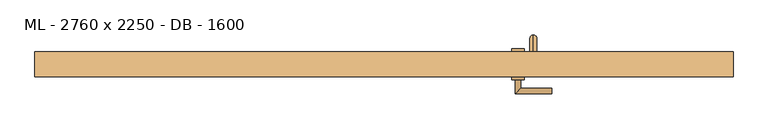
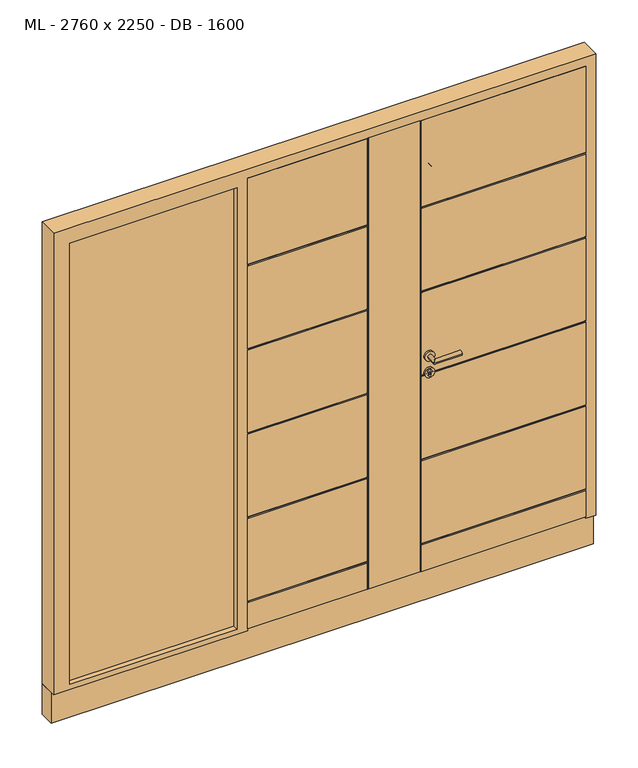
"""IFC4 building model written with IfcOpenShell, lengths in millimetres: door geometry, ML - 2760 x 2250 - DB - 1600."""

from ifc_helpers import new_model, si_unit, point, frame, frame_2d, origin, place, context, project, spatial, polyline, circle_curve, ellipse_curve, trimmed, segment, composite_curve, outline, extrude, faceted_brep, source, transform, mapped, element, save
from ifc_brep_helpers import plane_surface, cylinder_surface, revolved_surface, advanced_brep


def ml_2760_x_2250_db_1600_8447dac7(model_context):
    return source(origin(), model_context, "Body", "SolidModel", [
        advanced_brep(
        [(310.0, 275.0, 1875.0), (310.0, 275.0, 1900.0), (310.0, 275.0, 225.0), (310.0, 275.0, 200.0), (310.0, 310.0, 225.0), (310.0, 335.0, 200.0), (310.0, 335.0, 1900.0), (310.0, 310.0, 1875.0)],
        [
            (0, 1, circle_curve(frame((310.0, 275.0, 1887.5), z_axis=(0.0, -1.0, 0.0), x_axis=(0.0, 0.0, 1.0)), 12.5)),
            (1, 0, circle_curve(frame((310.0, 275.0, 1887.5), z_axis=(0.0, -1.0, 0.0), x_axis=(0.0, 0.0, 1.0)), 12.5)),
            (2, 3, circle_curve(frame((310.0, 275.0, 212.5), z_axis=(0.0, -1.0, 0.0), x_axis=(0.0, 0.0, -1.0)), 12.5)),
            (3, 2, circle_curve(frame((310.0, 275.0, 212.5), z_axis=(0.0, -1.0, 0.0), x_axis=(0.0, 0.0, -1.0)), 12.5)),
            (4, 5, ellipse_curve(frame((310.0, 322.5, 212.5), z_axis=(0.0, -0.7071067811865475, -0.7071067811865475), x_axis=(0.0, 0.7071067811865476, -0.7071067811865474)), 17.6776695, 12.5)),
            (5, 3),
            (2, 4),
            (5, 4, ellipse_curve(frame((310.0, 322.5, 212.5), z_axis=(0.0, -0.7071067811865475, -0.7071067811865475), x_axis=(0.0, 0.7071067811865476, -0.7071067811865474)), 17.6776695, 12.5)),
            (6, 7, ellipse_curve(frame((310.0, 322.5, 1887.5), z_axis=(0.0, 0.7071067811865475, -0.7071067811865475), x_axis=(0.0, 0.7071067811865474, 0.7071067811865476)), 17.6776695, 12.5)),
            (7, 4),
            (5, 6),
            (7, 6, ellipse_curve(frame((310.0, 322.5, 1887.5), z_axis=(0.0, 0.7071067811865475, -0.7071067811865475), x_axis=(0.0, 0.7071067811865474, 0.7071067811865476)), 17.6776695, 12.5)),
            (0, 7),
            (6, 1),
        ],
        [
            plane_surface(frame((310.0, 275.0, 1900.0), z_axis=(0.0, -1.0, 0.0), x_axis=(1.0, 0.0, 0.0))),
            plane_surface(frame((310.0, 275.0, 200.0), z_axis=(0.0, -1.0, 0.0), x_axis=(1.0, 0.0, 0.0))),
            cylinder_surface(frame((310.0, 335.0, 212.5), z_axis=(0.0, 1.0, 0.0), x_axis=(0.0, 0.0, -1.0)), 12.5),
            cylinder_surface(frame((310.0, 322.5, 1900.0), z_axis=(0.0, 0.0, 1.0), x_axis=(0.0, 1.0, 0.0)), 12.5),
            cylinder_surface(frame((310.0, 275.0, 1887.5), z_axis=(0.0, -1.0, 0.0), x_axis=(0.0, 0.0, 1.0)), 12.5),
        ],
        [
            (0, [[1, 2]]),
            (1, [[3, 4]]),
            (2, [[5, 6, -3, 7]]),
            (2, [[8, -7, -4, -6]]),
            (3, [[9, 10, -8, 11]]),
            (3, [[12, -11, -5, -10]]),
            (4, [[-1, 13, -9, 14]]),
            (4, [[-2, -14, -12, -13]]),
        ],
    ),
        advanced_brep(
        [(232.5, 275.0, 970.0), (277.5, 275.0, 970.0), (232.5, 285.0, 970.0), (277.5, 285.0, 970.0), (250.0, 285.0, 958.5), (260.0, 285.0, 958.5), (260.0, 285.0, 971.1261365), (250.0, 285.0, 971.1261365), (250.0, 277.0, 971.1261365), (250.0, 277.0, 958.5), (260.0, 277.0, 971.1261365), (260.0, 277.0, 958.5)],
        [
            (0, 1, circle_curve(frame((255.0, 275.0, 970.0), z_axis=(0.0, -1.0, 0.0), x_axis=(1.0, 0.0, 0.0)), 22.5)),
            (1, 0, circle_curve(frame((255.0, 275.0, 970.0), z_axis=(0.0, -1.0, 0.0), x_axis=(1.0, 0.0, 0.0)), 22.5)),
            (2, 3, circle_curve(frame((255.0, 285.0, 970.0), z_axis=(0.0, 1.0, 0.0), x_axis=(1.0, 0.0, 0.0)), 22.5)),
            (3, 2, circle_curve(frame((255.0, 285.0, 970.0), z_axis=(0.0, 1.0, 0.0), x_axis=(1.0, 0.0, 0.0)), 22.5)),
            (4, 5, circle_curve(frame((255.0, 285.0, 958.5), z_axis=(0.0, -1.0, 0.0), x_axis=(1.0, 0.0, 0.0)), 5.0)),
            (5, 6),
            (6, 7, circle_curve(frame((255.0, 285.0, 978.0), z_axis=(0.0, -1.0, 0.0), x_axis=(1.0, 0.0, 0.0)), 8.5)),
            (7, 4),
            (0, 2),
            (3, 1),
            (7, 8),
            (8, 9),
            (9, 4),
            (6, 10),
            (10, 8, circle_curve(frame((255.0, 277.0, 978.0), z_axis=(0.0, -1.0, 0.0), x_axis=(1.0, 0.0, 0.0)), 8.5)),
            (5, 11),
            (11, 10),
            (9, 11, circle_curve(frame((255.0, 277.0, 958.5), z_axis=(0.0, -1.0, 0.0), x_axis=(1.0, 0.0, 0.0)), 5.0)),
        ],
        [
            plane_surface(frame((277.5, 275.0, 970.0), z_axis=(0.0, -1.0, 0.0), x_axis=(0.0, 0.0, 1.0))),
            plane_surface(frame((277.5, 285.0, 970.0), z_axis=(0.0, 1.0, 0.0), x_axis=(0.0, 0.0, -1.0))),
            cylinder_surface(frame((255.0, 285.0, 970.0), z_axis=(0.0, -1.0, 0.0), x_axis=(1.0, 0.0, 0.0)), 22.5),
            plane_surface(frame((250.0, 275.0, 958.5), z_axis=(1.0, 0.0, 0.0), x_axis=(0.0, 1.0, 0.0))),
            revolved_surface(polyline([(263.5, 285.0, 978.0), (263.5, 277.0, 978.0)]), (255.0, 275.0, 978.0), (0.0, 1.0, 0.0)),
            plane_surface(frame((260.0, 275.0, 971.1261365), z_axis=(-1.0, 0.0, 0.0), x_axis=(0.0, 1.0, 0.0))),
            revolved_surface(polyline([(260.0, 285.0, 958.5), (260.0, 277.0, 958.5)]), (255.0, 275.0, 958.5), (0.0, 1.0, 0.0)),
            plane_surface(frame((263.5, 277.0, 978.0), z_axis=(0.0, 1.0, 0.0), x_axis=(0.0, 0.0, -1.0))),
        ],
        [
            (0, [[1, 2]]),
            (1, [[3, 4], [5, 6, 7, 8]]),
            (2, [[-1, 9, -4, 10]]),
            (2, [[-2, -10, -3, -9]]),
            (3, [[-8, 11, 12, 13]]),
            (4, [[-7, 14, 15, -11]]),
            (5, [[-6, 16, 17, -14]]),
            (6, [[-5, -13, 18, -16]]),
            (7, [[-12, -15, -17, -18]]),
        ],
    ),
        advanced_brep(
        [(232.5, 185.0, 970.0), (277.5, 185.0, 970.0), (232.5, 175.0, 970.0), (277.5, 175.0, 970.0), (250.0, 175.0, 958.5), (250.0, 175.0, 971.1261365), (260.0, 175.0, 971.1261365), (260.0, 175.0, 958.5), (250.0, 183.0, 958.5), (250.0, 183.0, 971.1261365), (260.0, 183.0, 971.1261365), (260.0, 183.0, 958.5)],
        [
            (0, 1, circle_curve(frame((255.0, 185.0, 970.0), z_axis=(0.0, 1.0, 0.0), x_axis=(1.0, 0.0, 0.0)), 22.5)),
            (1, 0, circle_curve(frame((255.0, 185.0, 970.0), z_axis=(0.0, 1.0, 0.0), x_axis=(1.0, 0.0, 0.0)), 22.5)),
            (2, 3, circle_curve(frame((255.0, 175.0, 970.0), z_axis=(0.0, -1.0, 0.0), x_axis=(1.0, 0.0, 0.0)), 22.5)),
            (3, 2, circle_curve(frame((255.0, 175.0, 970.0), z_axis=(0.0, -1.0, 0.0), x_axis=(1.0, 0.0, 0.0)), 22.5)),
            (4, 5),
            (5, 6, circle_curve(frame((255.0, 175.0, 978.0), z_axis=(0.0, 1.0, 0.0), x_axis=(1.0, 0.0, 0.0)), 8.5)),
            (6, 7),
            (7, 4, circle_curve(frame((255.0, 175.0, 958.5), z_axis=(0.0, 1.0, 0.0), x_axis=(1.0, 0.0, 0.0)), 5.0)),
            (1, 3),
            (2, 0),
            (4, 8),
            (8, 9),
            (9, 5),
            (9, 10, circle_curve(frame((255.0, 183.0, 978.0), z_axis=(0.0, 1.0, 0.0), x_axis=(1.0, 0.0, 0.0)), 8.5)),
            (10, 6),
            (10, 11),
            (11, 7),
            (11, 8, circle_curve(frame((255.0, 183.0, 958.5), z_axis=(0.0, 1.0, 0.0), x_axis=(1.0, 0.0, 0.0)), 5.0)),
        ],
        [
            plane_surface(frame((277.5, 185.0, 970.0), z_axis=(0.0, 1.0, 0.0), x_axis=(0.0, 0.0, 1.0))),
            plane_surface(frame((277.5, 175.0, 970.0), z_axis=(0.0, -1.0, 0.0), x_axis=(0.0, 0.0, -1.0))),
            cylinder_surface(frame((255.0, 175.0, 970.0), z_axis=(0.0, 1.0, 0.0), x_axis=(1.0, 0.0, 0.0)), 22.5),
            plane_surface(frame((250.0, 185.0, 958.5), z_axis=(1.0, 0.0, 0.0), x_axis=(0.0, -1.0, 0.0))),
            revolved_surface(polyline([(263.5, 175.0, 978.0), (263.5, 183.0, 978.0)]), (255.0, 185.0, 978.0), (0.0, -1.0, 0.0)),
            plane_surface(frame((260.0, 185.0, 971.1261365), z_axis=(-1.0, 0.0, 0.0), x_axis=(0.0, -1.0, 0.0))),
            revolved_surface(polyline([(260.0, 175.0, 958.5), (260.0, 183.0, 958.5)]), (255.0, 185.0, 958.5), (0.0, -1.0, 0.0)),
            plane_surface(frame((250.0, 183.0, 958.5), z_axis=(0.0, -1.0, 0.0), x_axis=(0.0, 0.0, 1.0))),
        ],
        [
            (0, [[1, 2]]),
            (1, [[3, 4], [5, 6, 7, 8]]),
            (2, [[9, -3, 10, -2]]),
            (2, [[-10, -4, -9, -1]]),
            (3, [[11, 12, 13, -5]]),
            (4, [[-13, 14, 15, -6]]),
            (5, [[-15, 16, 17, -7]]),
            (6, [[-17, 18, -11, -8]]),
            (7, [[-18, -16, -14, -12]]),
        ],
    ),
        advanced_brep(
        [(265.0, 175.0, 1050.0), (245.0, 175.0, 1050.0), (245.0, 125.0, 1050.0), (265.0, 145.0, 1050.0), (375.0, 145.0, 1050.0), (375.0, 125.0, 1050.0)],
        [
            (0, 1, circle_curve(frame((255.0, 175.0, 1050.0), z_axis=(0.0, 1.0, 0.0), x_axis=(-1.0, 0.0, 0.0)), 10.0)),
            (1, 0, circle_curve(frame((255.0, 175.0, 1050.0), z_axis=(0.0, 1.0, 0.0), x_axis=(-1.0, 0.0, 0.0)), 10.0)),
            (1, 2),
            (2, 3, ellipse_curve(frame((255.0, 135.0, 1050.0), z_axis=(-0.7071067811865486, 0.7071067811865464, 0.0), x_axis=(0.7071067811865464, 0.7071067811865488, 0.0)), 14.1421356, 10.0)),
            (3, 0),
            (3, 2, ellipse_curve(frame((255.0, 135.0, 1050.0), z_axis=(-0.7071067811865486, 0.7071067811865464, 0.0), x_axis=(0.7071067811865464, 0.7071067811865488, 0.0)), 14.1421356, 10.0)),
            (4, 5, circle_curve(frame((375.0, 135.0, 1050.0), z_axis=(1.0, 0.0, 0.0), x_axis=(0.0, -1.0, 0.0)), 10.0)),
            (5, 4, circle_curve(frame((375.0, 135.0, 1050.0), z_axis=(1.0, 0.0, 0.0), x_axis=(0.0, -1.0, 0.0)), 10.0)),
            (2, 5),
            (4, 3),
        ],
        [
            plane_surface(frame((255.0, 175.0, 1050.0), z_axis=(0.0, 1.0, 0.0), x_axis=(0.0, 0.0, 1.0))),
            cylinder_surface(frame((255.0, 175.0, 1050.0), z_axis=(0.0, 1.0, 0.0), x_axis=(-1.0, 0.0, 0.0)), 10.0),
            plane_surface(frame((375.0, 135.0, 1050.0), z_axis=(1.0, 0.0, 0.0), x_axis=(0.0, 0.0, 1.0))),
            cylinder_surface(frame((255.0, 135.0, 1050.0), z_axis=(-1.0, 0.0, 0.0), x_axis=(0.0, -1.0, 0.0)), 10.0),
        ],
        [
            (0, [[1, 2]]),
            (1, [[3, 4, 5, -2]]),
            (1, [[-5, 6, -3, -1]]),
            (2, [[7, 8]]),
            (3, [[9, -7, 10, -4]]),
            (3, [[-10, -8, -9, -6]]),
        ],
    ),
        advanced_brep(
        [(265.0, 175.0, 1050.0), (245.0, 175.0, 1050.0), (245.0, 125.0, 1050.0), (265.0, 145.0, 1050.0), (375.0, 145.0, 1050.0), (375.0, 125.0, 1050.0)],
        [
            (0, 1, circle_curve(frame((255.0, 175.0, 1050.0), z_axis=(0.0, 1.0, 0.0), x_axis=(-1.0, 0.0, 0.0)), 10.0)),
            (1, 0, circle_curve(frame((255.0, 175.0, 1050.0), z_axis=(0.0, 1.0, 0.0), x_axis=(-1.0, 0.0, 0.0)), 10.0)),
            (1, 2),
            (2, 3, ellipse_curve(frame((255.0, 135.0, 1050.0), z_axis=(-0.7071067811865491, 0.7071067811865459, 0.0), x_axis=(0.7071067811865458, 0.7071067811865492, 0.0)), 14.1421356, 10.0)),
            (3, 0),
            (3, 2, ellipse_curve(frame((255.0, 135.0, 1050.0), z_axis=(-0.7071067811865491, 0.7071067811865459, 0.0), x_axis=(0.7071067811865458, 0.7071067811865492, 0.0)), 14.1421356, 10.0)),
            (4, 5, circle_curve(frame((375.0, 135.0, 1050.0), z_axis=(1.0, 0.0, 0.0), x_axis=(0.0, -1.0, 0.0)), 10.0)),
            (5, 4, circle_curve(frame((375.0, 135.0, 1050.0), z_axis=(1.0, 0.0, 0.0), x_axis=(0.0, -1.0, 0.0)), 10.0)),
            (2, 5),
            (4, 3),
        ],
        [
            plane_surface(frame((255.0, 175.0, 1050.0), z_axis=(0.0, 1.0, 0.0), x_axis=(0.0, 0.0, 1.0))),
            cylinder_surface(frame((255.0, 175.0, 1050.0), z_axis=(0.0, 1.0, 0.0), x_axis=(-1.0, 0.0, 0.0)), 10.0),
            plane_surface(frame((375.0, 135.0, 1050.0), z_axis=(1.0, 0.0, 0.0), x_axis=(0.0, 0.0, 1.0))),
            cylinder_surface(frame((255.0, 135.0, 1050.0), z_axis=(-1.0, 0.0, 0.0), x_axis=(0.0, -1.0, 0.0)), 10.0),
        ],
        [
            (0, [[1, 2]]),
            (1, [[3, 4, 5, -2]]),
            (1, [[-5, 6, -3, -1]]),
            (2, [[7, 8]]),
            (3, [[9, -7, 10, -4]]),
            (3, [[-10, -8, -9, -6]]),
        ],
    ),
        extrude(outline(composite_curve([segment(trimmed(circle_curve(frame_2d((1050.0, 255.0)), 22.5), [point((1050.0, 232.5))], [point((1050.0, 277.5))], False, "CARTESIAN"), True, "CONTINUOUS"), segment(trimmed(circle_curve(frame_2d((1050.0, 255.0)), 22.5), [point((1050.0, 277.5))], [point((1050.0, 232.5))], False, "CARTESIAN"), True, "CONTINUOUS")], self_intersect=False)), frame((0.0, 175.0, 0.0), z_axis=(0.0, 1.0, 0.0), x_axis=(0.0, 0.0, 1.0)), (0.0, 0.0, 1.0), 10.0),
        advanced_brep(
        [(950.0, 275.0, 546.0), (950.0, 275.0, 144.0), (189.0, 275.0, 144.0), (189.0, 275.0, 546.0), (189.0, 275.0, 554.0), (189.0, 275.0, 956.0), (950.0, 275.0, 956.0), (950.0, 275.0, 554.0), (189.0, 275.0, 964.0), (189.0, 275.0, 1366.0), (950.0, 275.0, 1366.0), (950.0, 275.0, 964.0), (950.0, 275.0, 2175.0), (950.0, 275.0, 1784.0), (189.0, 275.0, 1784.0), (189.0, 275.0, 2175.0), (189.0, 275.0, 1374.0), (189.0, 275.0, 1776.0), (950.0, 275.0, 1776.0), (950.0, 275.0, 1374.0), (950.0, 255.0, 2175.0), (950.0, 255.0, 140.0), (950.0, 271.0, 140.0), (950.0, 271.0, 550.0), (950.0, 271.0, 960.0), (950.0, 271.0, 1370.0), (950.0, 271.0, 1780.0), (189.0, 271.0, 960.0), (189.0, 271.0, 550.0), (189.0, 271.0, 140.0), (204.0, 255.0, 140.0), (189.0, 255.0, 140.0), (204.0, 255.0, 2175.0), (204.0, 255.0, 2190.0), (965.0, 255.0, 2190.0), (965.0, 255.0, 20.0), (204.0, 255.0, 20.0), (204.0, 205.0, 20.0), (204.0, 205.0, 2190.0), (219.0, 205.0, 20.0), (965.0, 205.0, 20.0), (965.0, 205.0, 2190.0), (219.0, 205.0, 2190.0), (219.0, 205.0, 2205.0), (980.0, 205.0, 2205.0), (980.0, 205.0, 8.0), (219.0, 205.0, 8.0), (219.0, 185.0, 8.0), (219.0, 185.0, 136.0), (219.0, 189.0, 140.0), (219.0, 185.0, 144.0), (219.0, 185.0, 546.0), (219.0, 189.0, 550.0), (219.0, 185.0, 554.0), (219.0, 185.0, 956.0), (219.0, 189.0, 960.0), (219.0, 185.0, 964.0), (219.0, 185.0, 1366.0), (219.0, 189.0, 1370.0), (219.0, 185.0, 1374.0), (219.0, 185.0, 1776.0), (219.0, 189.0, 1780.0), (219.0, 185.0, 1784.0), (219.0, 185.0, 2205.0), (980.0, 185.0, 8.0), (980.0, 185.0, 2205.0), (980.0, 185.0, 1784.0), (980.0, 189.0, 1780.0), (980.0, 185.0, 1776.0), (980.0, 185.0, 1374.0), (980.0, 189.0, 1370.0), (980.0, 185.0, 1366.0), (980.0, 185.0, 964.0), (980.0, 189.0, 960.0), (980.0, 185.0, 956.0), (980.0, 185.0, 554.0), (980.0, 189.0, 550.0), (980.0, 185.0, 546.0), (980.0, 185.0, 144.0), (980.0, 189.0, 140.0), (980.0, 185.0, 136.0), (189.0, 271.0, 1780.0), (189.0, 271.0, 1370.0), (189.0, 255.0, 2175.0)],
        [
            (0, 1),
            (1, 2),
            (2, 3),
            (3, 0),
            (4, 5),
            (5, 6),
            (6, 7),
            (7, 4),
            (8, 9),
            (9, 10),
            (10, 11),
            (11, 8),
            (12, 13),
            (13, 14),
            (14, 15),
            (15, 12),
            (16, 17),
            (17, 18),
            (18, 19),
            (19, 16),
            (20, 21),
            (21, 22),
            (22, 1, circle_curve(frame((950.0, 271.0, 144.0), z_axis=(1.0, 0.0, 0.0), x_axis=(0.0, 1.0, 0.0)), 4.0)),
            (0, 23, circle_curve(frame((950.0, 271.0, 546.0), z_axis=(1.0, 0.0, 0.0), x_axis=(0.0, 1.0, 0.0)), 4.0)),
            (23, 7, circle_curve(frame((950.0, 271.0, 554.0), z_axis=(1.0, 0.0, 0.0), x_axis=(0.0, 1.0, 0.0)), 4.0)),
            (6, 24, circle_curve(frame((950.0, 271.0, 956.0), z_axis=(1.0, 0.0, 0.0), x_axis=(0.0, 1.0, 0.0)), 4.0)),
            (24, 11, circle_curve(frame((950.0, 271.0, 964.0), z_axis=(1.0, 0.0, 0.0), x_axis=(0.0, 1.0, 0.0)), 4.0)),
            (10, 25, circle_curve(frame((950.0, 271.0, 1366.0), z_axis=(1.0, 0.0, 0.0), x_axis=(0.0, 1.0, 0.0)), 4.0)),
            (25, 19, circle_curve(frame((950.0, 271.0, 1374.0), z_axis=(1.0, 0.0, 0.0), x_axis=(0.0, 1.0, 0.0)), 4.0)),
            (18, 26, circle_curve(frame((950.0, 271.0, 1776.0), z_axis=(1.0, 0.0, 0.0), x_axis=(0.0, 1.0, 0.0)), 4.0)),
            (26, 13, circle_curve(frame((950.0, 271.0, 1784.0), z_axis=(1.0, 0.0, 0.0), x_axis=(0.0, 1.0, 0.0)), 4.0)),
            (12, 20),
            (27, 8, circle_curve(frame((189.0, 271.0, 964.0), z_axis=(1.0, 0.0, 0.0), x_axis=(0.0, 1.0, 0.0)), 4.0)),
            (24, 27),
            (5, 27, circle_curve(frame((189.0, 271.0, 956.0), z_axis=(1.0, 0.0, 0.0), x_axis=(0.0, 1.0, 0.0)), 4.0)),
            (28, 4, circle_curve(frame((189.0, 271.0, 554.0), z_axis=(1.0, 0.0, 0.0), x_axis=(0.0, 1.0, 0.0)), 4.0)),
            (23, 28),
            (3, 28, circle_curve(frame((189.0, 271.0, 546.0), z_axis=(1.0, 0.0, 0.0), x_axis=(0.0, 1.0, 0.0)), 4.0)),
            (22, 29),
            (29, 2, circle_curve(frame((189.0, 271.0, 144.0), z_axis=(1.0, 0.0, 0.0), x_axis=(0.0, 1.0, 0.0)), 4.0)),
            (30, 31),
            (31, 29),
            (21, 30),
            (32, 33),
            (33, 34),
            (34, 35),
            (35, 36),
            (36, 30),
            (20, 32),
            (32, 30),
            (36, 37),
            (37, 38),
            (38, 33),
            (39, 37),
            (35, 40),
            (40, 39),
            (41, 40),
            (34, 41),
            (42, 43),
            (43, 44),
            (44, 45),
            (45, 46),
            (46, 39),
            (41, 42),
            (42, 39),
            (46, 47),
            (47, 48),
            (48, 49, circle_curve(frame((219.0, 189.0, 136.0), z_axis=(-1.0, 0.0, 0.0), x_axis=(0.0, -1.0, 0.0)), 4.0)),
            (49, 50, circle_curve(frame((219.0, 189.0, 144.0), z_axis=(-1.0, 0.0, 0.0), x_axis=(0.0, -1.0, 0.0)), 4.0)),
            (50, 51),
            (51, 52, circle_curve(frame((219.0, 189.0, 546.0), z_axis=(-1.0, 0.0, 0.0), x_axis=(0.0, -1.0, 0.0)), 4.0)),
            (52, 53, circle_curve(frame((219.0, 189.0, 554.0), z_axis=(-1.0, 0.0, 0.0), x_axis=(0.0, -1.0, 0.0)), 4.0)),
            (53, 54),
            (54, 55, circle_curve(frame((219.0, 189.0, 956.0), z_axis=(-1.0, 0.0, 0.0), x_axis=(0.0, -1.0, 0.0)), 4.0)),
            (55, 56, circle_curve(frame((219.0, 189.0, 964.0), z_axis=(-1.0, 0.0, 0.0), x_axis=(0.0, -1.0, 0.0)), 4.0)),
            (56, 57),
            (57, 58, circle_curve(frame((219.0, 189.0, 1366.0), z_axis=(-1.0, 0.0, 0.0), x_axis=(0.0, -1.0, 0.0)), 4.0)),
            (58, 59, circle_curve(frame((219.0, 189.0, 1374.0), z_axis=(-1.0, 0.0, 0.0), x_axis=(0.0, -1.0, 0.0)), 4.0)),
            (59, 60),
            (60, 61, circle_curve(frame((219.0, 189.0, 1776.0), z_axis=(-1.0, 0.0, 0.0), x_axis=(0.0, -1.0, 0.0)), 4.0)),
            (61, 62, circle_curve(frame((219.0, 189.0, 1784.0), z_axis=(-1.0, 0.0, 0.0), x_axis=(0.0, -1.0, 0.0)), 4.0)),
            (62, 63),
            (63, 43),
            (64, 47),
            (45, 64),
            (65, 66),
            (66, 67, circle_curve(frame((980.0, 189.0, 1784.0), z_axis=(1.0, 0.0, 0.0), x_axis=(0.0, -1.0, 0.0)), 4.0)),
            (67, 68, circle_curve(frame((980.0, 189.0, 1776.0), z_axis=(1.0, 0.0, 0.0), x_axis=(0.0, -1.0, 0.0)), 4.0)),
            (68, 69),
            (69, 70, circle_curve(frame((980.0, 189.0, 1374.0), z_axis=(1.0, 0.0, 0.0), x_axis=(0.0, -1.0, 0.0)), 4.0)),
            (70, 71, circle_curve(frame((980.0, 189.0, 1366.0), z_axis=(1.0, 0.0, 0.0), x_axis=(0.0, -1.0, 0.0)), 4.0)),
            (71, 72),
            (72, 73, circle_curve(frame((980.0, 189.0, 964.0), z_axis=(1.0, 0.0, 0.0), x_axis=(0.0, -1.0, 0.0)), 4.0)),
            (73, 74, circle_curve(frame((980.0, 189.0, 956.0), z_axis=(1.0, 0.0, 0.0), x_axis=(0.0, -1.0, 0.0)), 4.0)),
            (74, 75),
            (75, 76, circle_curve(frame((980.0, 189.0, 554.0), z_axis=(1.0, 0.0, 0.0), x_axis=(0.0, -1.0, 0.0)), 4.0)),
            (76, 77, circle_curve(frame((980.0, 189.0, 546.0), z_axis=(1.0, 0.0, 0.0), x_axis=(0.0, -1.0, 0.0)), 4.0)),
            (77, 78),
            (78, 79, circle_curve(frame((980.0, 189.0, 144.0), z_axis=(1.0, 0.0, 0.0), x_axis=(0.0, -1.0, 0.0)), 4.0)),
            (79, 80, circle_curve(frame((980.0, 189.0, 136.0), z_axis=(1.0, 0.0, 0.0), x_axis=(0.0, -1.0, 0.0)), 4.0)),
            (80, 64),
            (44, 65),
            (14, 81, circle_curve(frame((189.0, 271.0, 1784.0), z_axis=(-1.0, 0.0, 0.0), x_axis=(0.0, 1.0, 0.0)), 4.0)),
            (81, 17, circle_curve(frame((189.0, 271.0, 1776.0), z_axis=(-1.0, 0.0, 0.0), x_axis=(0.0, 1.0, 0.0)), 4.0)),
            (16, 82, circle_curve(frame((189.0, 271.0, 1374.0), z_axis=(-1.0, 0.0, 0.0), x_axis=(0.0, 1.0, 0.0)), 4.0)),
            (82, 9, circle_curve(frame((189.0, 271.0, 1366.0), z_axis=(-1.0, 0.0, 0.0), x_axis=(0.0, 1.0, 0.0)), 4.0)),
            (31, 83),
            (83, 15),
            (32, 83),
            (50, 78),
            (77, 51),
            (62, 66),
            (65, 63),
            (80, 48),
            (74, 54),
            (53, 75),
            (71, 57),
            (56, 72),
            (68, 60),
            (59, 69),
            (79, 49),
            (76, 52),
            (73, 55),
            (42, 38),
            (70, 58),
            (82, 25),
            (67, 61),
            (81, 26),
        ],
        [
            plane_surface(frame((189.0, 275.0, 2205.0), z_axis=(0.0, 1.0, 0.0), x_axis=(0.0, 0.0, -1.0))),
            plane_surface(frame((950.0, 275.0, 0.0), z_axis=(1.0, 0.0, 0.0), x_axis=(0.0, 0.0, 1.0))),
            cylinder_surface(frame((1020.0, 271.0, 964.0), z_axis=(-1.0, 0.0, 0.0), x_axis=(0.0, 1.0, 0.0)), 4.0),
            cylinder_surface(frame((1020.0, 271.0, 956.0), z_axis=(-1.0, 0.0, 0.0), x_axis=(0.0, 1.0, 0.0)), 4.0),
            cylinder_surface(frame((1020.0, 271.0, 554.0), z_axis=(-1.0, 0.0, 0.0), x_axis=(0.0, 1.0, 0.0)), 4.0),
            cylinder_surface(frame((1020.0, 271.0, 546.0), z_axis=(-1.0, 0.0, 0.0), x_axis=(0.0, 1.0, 0.0)), 4.0),
            cylinder_surface(frame((1020.0, 271.0, 144.0), z_axis=(-1.0, 0.0, 0.0), x_axis=(0.0, 1.0, 0.0)), 4.0),
            plane_surface(frame((-580.0, 275.0, 140.0), z_axis=(0.0, 0.0, -1.0), x_axis=(1.0, 0.0, 0.0))),
            plane_surface(frame((950.0, 255.0, 0.0), z_axis=(0.0, 1.0, 0.0), x_axis=(0.0, 0.0, 1.0))),
            plane_surface(frame((204.0, 205.0, 2205.0), z_axis=(-1.0, 0.0, 0.0), x_axis=(0.0, 0.0, -1.0))),
            plane_surface(frame((-580.0, 275.0, 20.0), z_axis=(0.0, 0.0, -1.0), x_axis=(1.0, 0.0, 0.0))),
            plane_surface(frame((965.0, 255.0, 0.0), z_axis=(1.0, 0.0, 0.0), x_axis=(0.0, 0.0, 1.0))),
            plane_surface(frame((965.0, 205.0, 0.0), z_axis=(0.0, 1.0, 0.0), x_axis=(0.0, 0.0, 1.0))),
            plane_surface(frame((219.0, 185.0, 2205.0), z_axis=(-1.0, 0.0, 0.0), x_axis=(0.0, 0.0, -1.0))),
            plane_surface(frame((-580.0, 205.0, 8.0), z_axis=(0.0, 0.0, -1.0), x_axis=(1.0, 0.0, 0.0))),
            plane_surface(frame((980.0, 275.0, 2205.0), z_axis=(1.0, 0.0, 0.0), x_axis=(0.0, 0.0, -1.0))),
            plane_surface(frame((189.0, 255.0, 2205.0), z_axis=(-1.0, 0.0, 0.0), x_axis=(0.0, 0.0, -1.0))),
            plane_surface(frame((204.0, 255.0, 2205.0), z_axis=(0.0, -1.0, 0.0), x_axis=(0.0, 0.0, -1.0))),
            plane_surface(frame((980.0, 185.0, 2205.0), z_axis=(0.0, -1.0, 0.0), x_axis=(0.0, 0.0, -1.0))),
            cylinder_surface(frame((215.0, 189.0, 136.0), z_axis=(1.0, 0.0, 0.0), x_axis=(0.0, -1.0, 0.0)), 4.0),
            cylinder_surface(frame((215.0, 189.0, 144.0), z_axis=(1.0, 0.0, 0.0), x_axis=(0.0, -1.0, 0.0)), 4.0),
            cylinder_surface(frame((215.0, 189.0, 546.0), z_axis=(1.0, 0.0, 0.0), x_axis=(0.0, -1.0, 0.0)), 4.0),
            cylinder_surface(frame((215.0, 189.0, 554.0), z_axis=(1.0, 0.0, 0.0), x_axis=(0.0, -1.0, 0.0)), 4.0),
            cylinder_surface(frame((215.0, 189.0, 956.0), z_axis=(1.0, 0.0, 0.0), x_axis=(0.0, -1.0, 0.0)), 4.0),
            cylinder_surface(frame((215.0, 189.0, 964.0), z_axis=(1.0, 0.0, 0.0), x_axis=(0.0, -1.0, 0.0)), 4.0),
            plane_surface(frame((219.0, 205.0, 2205.0), z_axis=(0.0, -1.0, 0.0), x_axis=(0.0, 0.0, -1.0))),
            plane_surface(frame((950.0, 275.0, 2175.0), z_axis=(0.0, 0.0, 1.0), x_axis=(-1.0, 0.0, 0.0))),
            plane_surface(frame((965.0, 255.0, 2190.0), z_axis=(0.0, 0.0, 1.0), x_axis=(-1.0, 0.0, 0.0))),
            plane_surface(frame((189.0, 275.0, 2205.0), z_axis=(0.0, 0.0, 1.0), x_axis=(0.0, 1.0, 0.0))),
            cylinder_surface(frame((215.0, 189.0, 1366.0), z_axis=(1.0, 0.0, 0.0), x_axis=(0.0, -1.0, 0.0)), 4.0),
            cylinder_surface(frame((215.0, 189.0, 1374.0), z_axis=(1.0, 0.0, 0.0), x_axis=(0.0, -1.0, 0.0)), 4.0),
            cylinder_surface(frame((1020.0, 271.0, 1366.0), z_axis=(-1.0, 0.0, 0.0), x_axis=(0.0, 1.0, 0.0)), 4.0),
            cylinder_surface(frame((1020.0, 271.0, 1374.0), z_axis=(-1.0, 0.0, 0.0), x_axis=(0.0, 1.0, 0.0)), 4.0),
            cylinder_surface(frame((215.0, 189.0, 1776.0), z_axis=(1.0, 0.0, 0.0), x_axis=(0.0, -1.0, 0.0)), 4.0),
            cylinder_surface(frame((215.0, 189.0, 1784.0), z_axis=(1.0, 0.0, 0.0), x_axis=(0.0, -1.0, 0.0)), 4.0),
            cylinder_surface(frame((1020.0, 271.0, 1776.0), z_axis=(-1.0, 0.0, 0.0), x_axis=(0.0, 1.0, 0.0)), 4.0),
            cylinder_surface(frame((1020.0, 271.0, 1784.0), z_axis=(-1.0, 0.0, 0.0), x_axis=(0.0, 1.0, 0.0)), 4.0),
        ],
        [
            (0, [[1, 2, 3, 4]]),
            (0, [[5, 6, 7, 8]]),
            (0, [[9, 10, 11, 12]]),
            (0, [[13, 14, 15, 16]]),
            (0, [[17, 18, 19, 20]]),
            (1, [[21, 22, 23, -1, 24, 25, -7, 26, 27, -11, 28, 29, -19, 30, 31, -13, 32]]),
            (2, [[33, -12, -27, 34]]),
            (3, [[-26, -6, 35, -34]]),
            (4, [[36, -8, -25, 37]]),
            (5, [[-24, -4, 38, -37]]),
            (6, [[-2, -23, 39, 40]]),
            (7, [[41, 42, -39, -22, 43]]),
            (8, [[44, 45, 46, 47, 48, -43, -21, 49]]),
            (9, [[50, -48, 51, 52, 53, -44]]),
            (10, [[54, -51, -47, 55, 56]]),
            (11, [[57, -55, -46, 58]]),
            (12, [[59, 60, 61, 62, 63, -56, -57, 64]]),
            (13, [[-59, 65, -63, 66, 67, 68, 69, 70, 71, 72, 73, 74, 75, 76, 77, 78, 79, 80, 81, 82, 83]]),
            (14, [[84, -66, -62, 85]]),
            (15, [[86, 87, 88, 89, 90, 91, 92, 93, 94, 95, 96, 97, 98, 99, 100, 101, -85, -61, 102]]),
            (16, [[-15, 103, 104, -17, 105, 106, -9, -33, -35, -5, -36, -38, -3, -40, -42, 107, 108]]),
            (17, [[-107, -41, -50, 109]]),
            (18, [[-70, 110, -98, 111]]),
            (18, [[-82, 112, -86, 113]]),
            (18, [[-101, 114, -67, -84]]),
            (18, [[-95, 115, -73, 116]]),
            (18, [[-92, 117, -76, 118]]),
            (18, [[-89, 119, -79, 120]]),
            (19, [[-68, -114, -100, 121]]),
            (20, [[-99, -110, -69, -121]]),
            (21, [[-71, -111, -97, 122]]),
            (22, [[-96, -116, -72, -122]]),
            (23, [[-74, -115, -94, 123]]),
            (24, [[-93, -118, -75, -123]]),
            (25, [[-52, -54, -65, 124]]),
            (26, [[-16, -108, -109, -49, -32]]),
            (27, [[-45, -53, -124, -64, -58]]),
            (28, [[-102, -60, -83, -113]]),
            (29, [[-77, -117, -91, 125]]),
            (30, [[-90, -120, -78, -125]]),
            (31, [[-28, -10, -106, 126]]),
            (32, [[-105, -20, -29, -126]]),
            (33, [[-80, -119, -88, 127]]),
            (34, [[-87, -112, -81, -127]]),
            (35, [[-30, -18, -104, 128]]),
            (36, [[-103, -14, -31, -128]]),
        ],
    ),
        advanced_brep(
        [(-580.0, 185.0, 8.0), (-29.0, 185.0, 8.0), (-29.0, 185.0, 136.0), (-580.0, 185.0, 136.0), (-21.0, 185.0, 2205.0), (-21.0, 185.0, 8.0), (215.0, 185.0, 8.0), (215.0, 185.0, 136.0), (215.0, 185.0, 144.0), (215.0, 185.0, 546.0), (215.0, 185.0, 554.0), (215.0, 185.0, 956.0), (215.0, 185.0, 964.0), (215.0, 185.0, 1366.0), (215.0, 185.0, 1374.0), (215.0, 185.0, 1776.0), (215.0, 185.0, 1784.0), (215.0, 185.0, 2205.0), (-580.0, 185.0, 144.0), (-29.0, 185.0, 144.0), (-29.0, 185.0, 546.0), (-580.0, 185.0, 546.0), (-29.0, 185.0, 554.0), (-29.0, 185.0, 956.0), (-580.0, 185.0, 956.0), (-580.0, 185.0, 554.0), (-29.0, 185.0, 964.0), (-29.0, 185.0, 1366.0), (-580.0, 185.0, 1366.0), (-580.0, 185.0, 964.0), (-29.0, 185.0, 1374.0), (-29.0, 185.0, 1776.0), (-580.0, 185.0, 1776.0), (-580.0, 185.0, 1374.0), (-580.0, 185.0, 2205.0), (-580.0, 185.0, 1784.0), (-29.0, 185.0, 1784.0), (-29.0, 185.0, 2205.0), (215.0, 205.0, 8.0), (215.0, 205.0, 2205.0), (-550.0, 275.0, 554.0), (-550.0, 275.0, 956.0), (-29.0, 275.0, 956.0), (-29.0, 275.0, 554.0), (-550.0, 275.0, 964.0), (-550.0, 275.0, 1366.0), (-29.0, 275.0, 1366.0), (-29.0, 275.0, 964.0), (-550.0, 275.0, 1374.0), (-550.0, 275.0, 1776.0), (-29.0, 275.0, 1776.0), (-29.0, 275.0, 1374.0), (-550.0, 275.0, 546.0), (-29.0, 275.0, 546.0), (-29.0, 275.0, 140.0), (-550.0, 275.0, 140.0), (-29.0, 275.0, 2175.0), (-29.0, 275.0, 1784.0), (-550.0, 275.0, 1784.0), (-550.0, 275.0, 2175.0), (185.0, 275.0, 2175.0), (185.0, 275.0, 1784.0), (185.0, 275.0, 1776.0), (185.0, 275.0, 1374.0), (185.0, 275.0, 1366.0), (185.0, 275.0, 964.0), (185.0, 275.0, 956.0), (185.0, 275.0, 554.0), (185.0, 275.0, 546.0), (185.0, 275.0, 144.0), (185.0, 275.0, 140.0), (-21.0, 275.0, 140.0), (-21.0, 275.0, 2175.0), (-550.0, 271.0, 1780.0), (-550.0, 271.0, 1370.0), (-550.0, 271.0, 960.0), (-550.0, 271.0, 550.0), (-550.0, 255.0, 140.0), (-550.0, 255.0, 2175.0), (-565.0, 255.0, 2190.0), (-565.0, 255.0, 20.0), (-565.0, 205.0, 20.0), (-565.0, 205.0, 2190.0), (-580.0, 205.0, 2205.0), (-580.0, 205.0, 8.0), (-580.0, 189.0, 140.0), (-580.0, 189.0, 550.0), (-580.0, 189.0, 960.0), (-580.0, 189.0, 1370.0), (-580.0, 189.0, 1780.0), (-25.0, 189.0, 2205.0), (185.0, 255.0, 2175.0), (-25.0, 271.0, 2175.0), (200.0, 205.0, 2190.0), (200.0, 255.0, 2190.0), (200.0, 255.0, 20.0), (200.0, 205.0, 20.0), (-25.0, 189.0, 8.0), (-25.0, 271.0, 140.0), (185.0, 271.0, 140.0), (185.0, 255.0, 140.0), (-25.0, 271.0, 550.0), (-25.0, 189.0, 550.0), (-25.0, 189.0, 140.0), (-25.0, 271.0, 960.0), (-25.0, 271.0, 1370.0), (-25.0, 271.0, 1780.0), (-25.0, 189.0, 1780.0), (-25.0, 189.0, 1370.0), (-25.0, 189.0, 960.0)],
        [
            (0, 1),
            (1, 2),
            (2, 3),
            (3, 0),
            (4, 5),
            (5, 6),
            (6, 7),
            (7, 8),
            (8, 9),
            (9, 10),
            (10, 11),
            (11, 12),
            (12, 13),
            (13, 14),
            (14, 15),
            (15, 16),
            (16, 17),
            (17, 4),
            (18, 19),
            (19, 20),
            (20, 21),
            (21, 18),
            (22, 23),
            (23, 24),
            (24, 25),
            (25, 22),
            (26, 27),
            (27, 28),
            (28, 29),
            (29, 26),
            (30, 31),
            (31, 32),
            (32, 33),
            (33, 30),
            (34, 35),
            (35, 36),
            (36, 37),
            (37, 34),
            (6, 38),
            (38, 39),
            (39, 17),
            (40, 41),
            (41, 42),
            (42, 43),
            (43, 40),
            (44, 45),
            (45, 46),
            (46, 47),
            (47, 44),
            (48, 49),
            (49, 50),
            (50, 51),
            (51, 48),
            (52, 53),
            (53, 54),
            (54, 55),
            (55, 52),
            (56, 57),
            (57, 58),
            (58, 59),
            (59, 56),
            (60, 61),
            (61, 62),
            (62, 63),
            (63, 64),
            (64, 65),
            (65, 66),
            (66, 67),
            (67, 68),
            (68, 69),
            (69, 70),
            (70, 71),
            (71, 72),
            (72, 60),
            (58, 73, circle_curve(frame((-550.0, 271.0, 1784.0), z_axis=(-1.0, 0.0, 0.0), x_axis=(0.0, 1.0, 0.0)), 4.0)),
            (73, 49, circle_curve(frame((-550.0, 271.0, 1776.0), z_axis=(-1.0, 0.0, 0.0), x_axis=(0.0, 1.0, 0.0)), 4.0)),
            (48, 74, circle_curve(frame((-550.0, 271.0, 1374.0), z_axis=(-1.0, 0.0, 0.0), x_axis=(0.0, 1.0, 0.0)), 4.0)),
            (74, 45, circle_curve(frame((-550.0, 271.0, 1366.0), z_axis=(-1.0, 0.0, 0.0), x_axis=(0.0, 1.0, 0.0)), 4.0)),
            (44, 75, circle_curve(frame((-550.0, 271.0, 964.0), z_axis=(-1.0, 0.0, 0.0), x_axis=(0.0, 1.0, 0.0)), 4.0)),
            (75, 41, circle_curve(frame((-550.0, 271.0, 956.0), z_axis=(-1.0, 0.0, 0.0), x_axis=(0.0, 1.0, 0.0)), 4.0)),
            (40, 76, circle_curve(frame((-550.0, 271.0, 554.0), z_axis=(-1.0, 0.0, 0.0), x_axis=(0.0, 1.0, 0.0)), 4.0)),
            (76, 52, circle_curve(frame((-550.0, 271.0, 546.0), z_axis=(-1.0, 0.0, 0.0), x_axis=(0.0, 1.0, 0.0)), 4.0)),
            (55, 77),
            (77, 78),
            (78, 59),
            (79, 80),
            (80, 81),
            (81, 82),
            (82, 79),
            (83, 84),
            (84, 0),
            (3, 85, circle_curve(frame((-580.0, 189.0, 136.0), z_axis=(-1.0, 0.0, 0.0), x_axis=(0.0, -1.0, 0.0)), 4.0)),
            (85, 18, circle_curve(frame((-580.0, 189.0, 144.0), z_axis=(-1.0, 0.0, 0.0), x_axis=(0.0, -1.0, 0.0)), 4.0)),
            (21, 86, circle_curve(frame((-580.0, 189.0, 546.0), z_axis=(-1.0, 0.0, 0.0), x_axis=(0.0, -1.0, 0.0)), 4.0)),
            (86, 25, circle_curve(frame((-580.0, 189.0, 554.0), z_axis=(-1.0, 0.0, 0.0), x_axis=(0.0, -1.0, 0.0)), 4.0)),
            (24, 87, circle_curve(frame((-580.0, 189.0, 956.0), z_axis=(-1.0, 0.0, 0.0), x_axis=(0.0, -1.0, 0.0)), 4.0)),
            (87, 29, circle_curve(frame((-580.0, 189.0, 964.0), z_axis=(-1.0, 0.0, 0.0), x_axis=(0.0, -1.0, 0.0)), 4.0)),
            (28, 88, circle_curve(frame((-580.0, 189.0, 1366.0), z_axis=(-1.0, 0.0, 0.0), x_axis=(0.0, -1.0, 0.0)), 4.0)),
            (88, 33, circle_curve(frame((-580.0, 189.0, 1374.0), z_axis=(-1.0, 0.0, 0.0), x_axis=(0.0, -1.0, 0.0)), 4.0)),
            (32, 89, circle_curve(frame((-580.0, 189.0, 1776.0), z_axis=(-1.0, 0.0, 0.0), x_axis=(0.0, -1.0, 0.0)), 4.0)),
            (89, 35, circle_curve(frame((-580.0, 189.0, 1784.0), z_axis=(-1.0, 0.0, 0.0), x_axis=(0.0, -1.0, 0.0)), 4.0)),
            (34, 83),
            (39, 83),
            (37, 90, circle_curve(frame((-29.0, 189.0, 2205.0), z_axis=(0.0, 0.0, 1.0), x_axis=(0.0, -1.0, 0.0)), 4.0)),
            (90, 4, circle_curve(frame((-21.0, 189.0, 2205.0), z_axis=(0.0, 0.0, 1.0), x_axis=(0.0, -1.0, 0.0)), 4.0)),
            (78, 91),
            (91, 60),
            (72, 92, circle_curve(frame((-21.0, 271.0, 2175.0), z_axis=(0.0, 0.0, 1.0), x_axis=(0.0, 1.0, 0.0)), 4.0)),
            (92, 56, circle_curve(frame((-29.0, 271.0, 2175.0), z_axis=(0.0, 0.0, 1.0), x_axis=(0.0, 1.0, 0.0)), 4.0)),
            (82, 93),
            (93, 94),
            (94, 79),
            (80, 95),
            (95, 96),
            (96, 81),
            (5, 97, circle_curve(frame((-21.0, 189.0, 8.0), z_axis=(0.0, 0.0, -1.0), x_axis=(0.0, -1.0, 0.0)), 4.0)),
            (97, 1, circle_curve(frame((-29.0, 189.0, 8.0), z_axis=(0.0, 0.0, -1.0), x_axis=(0.0, -1.0, 0.0)), 4.0)),
            (84, 38),
            (54, 98, circle_curve(frame((-29.0, 271.0, 140.0), z_axis=(0.0, 0.0, -1.0), x_axis=(0.0, 1.0, 0.0)), 4.0)),
            (98, 71, circle_curve(frame((-21.0, 271.0, 140.0), z_axis=(0.0, 0.0, -1.0), x_axis=(0.0, 1.0, 0.0)), 4.0)),
            (70, 99),
            (99, 100),
            (100, 77),
            (101, 53, ellipse_curve(frame((-29.0, 271.0, 546.0), z_axis=(-0.7071067811865475, 0.0, 0.7071067811865476), x_axis=(-0.7071067811865476, 0.0, -0.7071067811865475)), 5.6568542, 4.0)),
            (76, 101),
            (43, 101, ellipse_curve(frame((-29.0, 271.0, 554.0), z_axis=(-0.7071067811865475, 0.0, -0.7071067811865475), x_axis=(-0.7071067811865476, 0.0, 0.7071067811865474)), 5.6568542, 4.0)),
            (20, 102, ellipse_curve(frame((-29.0, 189.0, 546.0), z_axis=(-0.7071067811865475, 0.0, 0.7071067811865475), x_axis=(0.7071067811865476, 0.0, 0.7071067811865474)), 5.6568542, 4.0)),
            (102, 86),
            (102, 22, ellipse_curve(frame((-29.0, 189.0, 554.0), z_axis=(-0.7071067811865475, 0.0, -0.7071067811865476), x_axis=(0.7071067811865476, 0.0, -0.7071067811865475)), 5.6568542, 4.0)),
            (2, 103, ellipse_curve(frame((-29.0, 189.0, 136.0), z_axis=(-0.7071067811865475, 0.0, 0.7071067811865475), x_axis=(-0.7071067811865476, 0.0, -0.7071067811865474)), 5.6568542, 4.0)),
            (103, 85),
            (103, 19, ellipse_curve(frame((-29.0, 189.0, 144.0), z_axis=(-0.7071067811865475, 0.0, -0.7071067811865476), x_axis=(-0.7071067811865476, 0.0, 0.7071067811865475)), 5.6568542, 4.0)),
            (101, 104),
            (104, 105),
            (105, 106),
            (106, 92),
            (98, 101),
            (42, 104, ellipse_curve(frame((-29.0, 271.0, 956.0), z_axis=(0.7071067811865475, 0.0, -0.7071067811865476), x_axis=(0.7071067811865476, 0.0, 0.7071067811865474)), 5.6568542, 4.0)),
            (46, 105, ellipse_curve(frame((-29.0, 271.0, 1366.0), z_axis=(0.7071067811865475, 0.0, -0.7071067811865476), x_axis=(0.7071067811865476, 0.0, 0.7071067811865474)), 5.6568542, 4.0)),
            (104, 47, ellipse_curve(frame((-29.0, 271.0, 964.0), z_axis=(0.7071067811865475, 0.0, 0.7071067811865475), x_axis=(-0.7071067811865474, 0.0, 0.7071067811865477)), 5.6568542, 4.0)),
            (50, 106, ellipse_curve(frame((-29.0, 271.0, 1776.0), z_axis=(0.7071067811865475, 0.0, -0.7071067811865476), x_axis=(0.7071067811865476, 0.0, 0.7071067811865474)), 5.6568542, 4.0)),
            (105, 51, ellipse_curve(frame((-29.0, 271.0, 1374.0), z_axis=(0.7071067811865475, 0.0, 0.7071067811865475), x_axis=(-0.7071067811865474, 0.0, 0.7071067811865477)), 5.6568542, 4.0)),
            (106, 57, ellipse_curve(frame((-29.0, 271.0, 1784.0), z_axis=(0.7071067811865475, 0.0, 0.7071067811865475), x_axis=(-0.7071067811865474, 0.0, 0.7071067811865477)), 5.6568542, 4.0)),
            (75, 104),
            (103, 97),
            (90, 107),
            (107, 108),
            (108, 109),
            (109, 102),
            (102, 103),
            (36, 107, ellipse_curve(frame((-29.0, 189.0, 1784.0), z_axis=(0.7071067811865475, 0.0, 0.7071067811865476), x_axis=(0.7071067811865476, 0.0, -0.7071067811865474)), 5.6568542, 4.0)),
            (107, 31, ellipse_curve(frame((-29.0, 189.0, 1776.0), z_axis=(0.7071067811865475, 0.0, -0.7071067811865475), x_axis=(-0.7071067811865474, 0.0, -0.7071067811865477)), 5.6568542, 4.0)),
            (30, 108, ellipse_curve(frame((-29.0, 189.0, 1374.0), z_axis=(0.7071067811865475, 0.0, 0.7071067811865476), x_axis=(0.7071067811865476, 0.0, -0.7071067811865474)), 5.6568542, 4.0)),
            (108, 27, ellipse_curve(frame((-29.0, 189.0, 1366.0), z_axis=(0.7071067811865475, 0.0, -0.7071067811865475), x_axis=(-0.7071067811865474, 0.0, -0.7071067811865477)), 5.6568542, 4.0)),
            (26, 109, ellipse_curve(frame((-29.0, 189.0, 964.0), z_axis=(0.7071067811865475, 0.0, 0.7071067811865476), x_axis=(0.7071067811865476, 0.0, -0.7071067811865474)), 5.6568542, 4.0)),
            (109, 23, ellipse_curve(frame((-29.0, 189.0, 956.0), z_axis=(0.7071067811865475, 0.0, -0.7071067811865475), x_axis=(-0.7071067811865474, 0.0, -0.7071067811865477)), 5.6568542, 4.0)),
            (109, 87),
            (108, 88),
            (74, 105),
            (107, 89),
            (73, 106),
            (91, 100),
            (96, 93),
            (94, 95),
        ],
        [
            plane_surface(frame((215.0, 185.0, 2205.0), z_axis=(0.0, -1.0, 0.0), x_axis=(0.0, 0.0, -1.0))),
            plane_surface(frame((215.0, 205.0, 2205.0), z_axis=(1.0, 0.0, 0.0), x_axis=(0.0, 0.0, -1.0))),
            plane_surface(frame((-580.0, 275.0, 2205.0), z_axis=(0.0, 1.0, 0.0), x_axis=(0.0, 0.0, -1.0))),
            plane_surface(frame((-550.0, 275.0, 2175.0), z_axis=(-1.0, 0.0, 0.0), x_axis=(0.0, 0.0, -1.0))),
            plane_surface(frame((-565.0, 255.0, 2190.0), z_axis=(-1.0, 0.0, 0.0), x_axis=(0.0, 0.0, -1.0))),
            plane_surface(frame((-580.0, 185.0, 2205.0), z_axis=(-1.0, 0.0, 0.0), x_axis=(0.0, 0.0, -1.0))),
            plane_surface(frame((185.0, 275.0, 2205.0), z_axis=(0.0, 0.0, 1.0), x_axis=(1.0, 0.0, 0.0))),
            plane_surface(frame((950.0, 275.0, 2175.0), z_axis=(0.0, 0.0, 1.0), x_axis=(-1.0, 0.0, 0.0))),
            plane_surface(frame((965.0, 255.0, 2190.0), z_axis=(0.0, 0.0, 1.0), x_axis=(-1.0, 0.0, 0.0))),
            plane_surface(frame((-580.0, 275.0, 20.0), z_axis=(0.0, 0.0, -1.0), x_axis=(1.0, 0.0, 0.0))),
            plane_surface(frame((-580.0, 205.0, 8.0), z_axis=(0.0, 0.0, -1.0), x_axis=(1.0, 0.0, 0.0))),
            plane_surface(frame((-580.0, 275.0, 140.0), z_axis=(0.0, 0.0, -1.0), x_axis=(1.0, 0.0, 0.0))),
            cylinder_surface(frame((-25.0, 271.0, 546.0), z_axis=(-1.0, 0.0, 0.0), x_axis=(0.0, 1.0, 0.0)), 4.0),
            cylinder_surface(frame((-25.0, 271.0, 554.0), z_axis=(-1.0, 0.0, 0.0), x_axis=(0.0, 1.0, 0.0)), 4.0),
            cylinder_surface(frame((-620.0, 189.0, 546.0), z_axis=(1.0, 0.0, 0.0), x_axis=(0.0, -1.0, 0.0)), 4.0),
            cylinder_surface(frame((-620.0, 189.0, 554.0), z_axis=(1.0, 0.0, 0.0), x_axis=(0.0, -1.0, 0.0)), 4.0),
            cylinder_surface(frame((-25.0, 189.0, 136.0), z_axis=(-1.0, 0.0, 0.0), x_axis=(0.0, -1.0, 0.0)), 4.0),
            cylinder_surface(frame((-25.0, 189.0, 144.0), z_axis=(-1.0, 0.0, 0.0), x_axis=(0.0, -1.0, 0.0)), 4.0),
            cylinder_surface(frame((-21.0, 271.0, -10.0), z_axis=(0.0, 0.0, 1.0), x_axis=(0.0, 1.0, 0.0)), 4.0),
            cylinder_surface(frame((-29.0, 271.0, -10.0), z_axis=(0.0, 0.0, 1.0), x_axis=(0.0, 1.0, 0.0)), 4.0),
            cylinder_surface(frame((-25.0, 271.0, 956.0), z_axis=(-1.0, 0.0, 0.0), x_axis=(0.0, 1.0, 0.0)), 4.0),
            cylinder_surface(frame((-25.0, 271.0, 964.0), z_axis=(-1.0, 0.0, 0.0), x_axis=(0.0, 1.0, 0.0)), 4.0),
            cylinder_surface(frame((-21.0, 189.0, 2215.0), z_axis=(0.0, 0.0, -1.0), x_axis=(0.0, -1.0, 0.0)), 4.0),
            cylinder_surface(frame((-29.0, 189.0, 2215.0), z_axis=(0.0, 0.0, -1.0), x_axis=(0.0, -1.0, 0.0)), 4.0),
            cylinder_surface(frame((-620.0, 189.0, 956.0), z_axis=(1.0, 0.0, 0.0), x_axis=(0.0, -1.0, 0.0)), 4.0),
            cylinder_surface(frame((-620.0, 189.0, 964.0), z_axis=(1.0, 0.0, 0.0), x_axis=(0.0, -1.0, 0.0)), 4.0),
            cylinder_surface(frame((-620.0, 189.0, 1366.0), z_axis=(1.0, 0.0, 0.0), x_axis=(0.0, -1.0, 0.0)), 4.0),
            cylinder_surface(frame((-620.0, 189.0, 1374.0), z_axis=(1.0, 0.0, 0.0), x_axis=(0.0, -1.0, 0.0)), 4.0),
            cylinder_surface(frame((-25.0, 271.0, 1366.0), z_axis=(-1.0, 0.0, 0.0), x_axis=(0.0, 1.0, 0.0)), 4.0),
            cylinder_surface(frame((-25.0, 271.0, 1374.0), z_axis=(-1.0, 0.0, 0.0), x_axis=(0.0, 1.0, 0.0)), 4.0),
            cylinder_surface(frame((-620.0, 189.0, 1776.0), z_axis=(1.0, 0.0, 0.0), x_axis=(0.0, -1.0, 0.0)), 4.0),
            cylinder_surface(frame((-620.0, 189.0, 1784.0), z_axis=(1.0, 0.0, 0.0), x_axis=(0.0, -1.0, 0.0)), 4.0),
            cylinder_surface(frame((-25.0, 271.0, 1776.0), z_axis=(-1.0, 0.0, 0.0), x_axis=(0.0, 1.0, 0.0)), 4.0),
            cylinder_surface(frame((-25.0, 271.0, 1784.0), z_axis=(-1.0, 0.0, 0.0), x_axis=(0.0, 1.0, 0.0)), 4.0),
            plane_surface(frame((185.0, 275.0, 2205.0), z_axis=(1.0, 0.0, 0.0), x_axis=(0.0, 0.0, -1.0))),
            plane_surface(frame((200.0, 205.0, 2205.0), z_axis=(0.0, 1.0, 0.0), x_axis=(0.0, 0.0, -1.0))),
            plane_surface(frame((185.0, 255.0, 2205.0), z_axis=(0.0, 1.0, 0.0), x_axis=(0.0, 0.0, -1.0))),
            plane_surface(frame((200.0, 255.0, 2205.0), z_axis=(1.0, 0.0, 0.0), x_axis=(0.0, 0.0, -1.0))),
        ],
        [
            (0, [[1, 2, 3, 4]]),
            (0, [[5, 6, 7, 8, 9, 10, 11, 12, 13, 14, 15, 16, 17, 18]]),
            (0, [[19, 20, 21, 22]]),
            (0, [[23, 24, 25, 26]]),
            (0, [[27, 28, 29, 30]]),
            (0, [[31, 32, 33, 34]]),
            (0, [[35, 36, 37, 38]]),
            (1, [[-17, -16, -15, -14, -13, -12, -11, -10, -9, -8, -7, 39, 40, 41]]),
            (2, [[42, 43, 44, 45]]),
            (2, [[46, 47, 48, 49]]),
            (2, [[50, 51, 52, 53]]),
            (2, [[54, 55, 56, 57]]),
            (2, [[58, 59, 60, 61]]),
            (2, [[62, 63, 64, 65, 66, 67, 68, 69, 70, 71, 72, 73, 74]]),
            (3, [[-60, 75, 76, -50, 77, 78, -46, 79, 80, -42, 81, 82, -57, 83, 84, 85]]),
            (4, [[86, 87, 88, 89]]),
            (5, [[90, 91, -4, 92, 93, -22, 94, 95, -25, 96, 97, -29, 98, 99, -33, 100, 101, -35, 102]]),
            (6, [[103, -102, -38, 104, 105, -18, -41]]),
            (7, [[106, 107, -74, 108, 109, -61, -85]]),
            (8, [[110, 111, 112, -89]]),
            (9, [[-87, 113, 114, 115]]),
            (10, [[-6, 116, 117, -1, -91, 118, -39]]),
            (11, [[-83, -56, 119, 120, -72, 121, 122, 123]]),
            (12, [[124, -54, -82, 125]]),
            (13, [[-81, -45, 126, -125]]),
            (14, [[-94, -21, 127, 128]]),
            (15, [[129, -26, -95, -128]]),
            (16, [[-92, -3, 130, 131]]),
            (17, [[132, -19, -93, -131]]),
            (18, [[133, 134, 135, 136, -108, -73, -120, 137]]),
            (19, [[-44, 138, -133, -126]]),
            (19, [[-48, 139, -134, 140]]),
            (19, [[-52, 141, -135, 142]]),
            (19, [[-119, -55, -124, -137]]),
            (19, [[-136, 143, -58, -109]]),
            (20, [[-138, -43, -80, 144]]),
            (21, [[-79, -49, -140, -144]]),
            (22, [[145, -116, -5, -105, 146, 147, 148, 149, 150]]),
            (23, [[-37, 151, -146, -104]]),
            (23, [[-127, -20, -132, -150]]),
            (23, [[-130, -2, -117, -145]]),
            (23, [[-147, 152, -31, 153]]),
            (23, [[-148, 154, -27, 155]]),
            (23, [[-149, 156, -23, -129]]),
            (24, [[-96, -24, -156, 157]]),
            (25, [[-155, -30, -97, -157]]),
            (26, [[-98, -28, -154, 158]]),
            (27, [[-153, -34, -99, -158]]),
            (28, [[-139, -47, -78, 159]]),
            (29, [[-77, -53, -142, -159]]),
            (30, [[-100, -32, -152, 160]]),
            (31, [[-151, -36, -101, -160]]),
            (32, [[-141, -51, -76, 161]]),
            (33, [[-75, -59, -143, -161]]),
            (34, [[162, -122, -121, -71, -70, -69, -68, -67, -66, -65, -64, -63, -62, -107]]),
            (35, [[-40, -118, -90, -103], [-88, -115, 163, -110]]),
            (36, [[164, -113, -86, -112], [-84, -123, -162, -106]]),
            (37, [[-163, -114, -164, -111]]),
        ],
    ),
        extrude(outline(polyline([(255.0, 140.0), (271.0, 140.0), (271.0, 136.0), (275.0, 136.0), (275.0, 20.0), (270.9609036, 20.0), (270.9609036, 24.0), (266.9609036, 24.0), (266.9609036, 20.0), (255.0, 20.0), (255.0, 140.0)])), frame((189.0, 0.0, 0.0), z_axis=(1.0, 0.0, 0.0), x_axis=(0.0, 1.0, 0.0)), (0.0, 0.0, 1.0), 761.0),
        extrude(outline(polyline([(255.0, 140.0), (271.0, 140.0), (271.0, 136.0), (275.0, 136.0), (275.0, 20.0), (270.9609036, 20.0), (270.9609036, 24.0), (266.9609036, 24.0), (266.9609036, 20.0), (255.0, 20.0), (255.0, 140.0)])), frame((-550.0, 0.0, 0.0), z_axis=(1.0, 0.0, 0.0), x_axis=(0.0, 1.0, 0.0)), (0.0, 0.0, 1.0), 735.0),
        faceted_brep([(950.0, 255.0, 0.0), (950.0, 275.0, 0.0), (950.0, 275.0, 7.0), (950.0, 255.0, 9.0), (-550.0, 255.0, 0.0), (-565.0, 255.0, 0.0), (-565.0, 255.0, 9.0), (-550.0, 255.0, 9.0), (965.0, 255.0, 9.0), (965.0, 255.0, 0.0), (965.0, 225.0, 12.0), (965.0, 225.0, 15.0), (965.0, 205.0, 15.0), (965.0, 205.0, 0.0), (-550.0, 275.0, 7.0), (-550.0, 275.0, 0.0), (-565.0, 205.0, 0.0), (-565.0, 205.0, 15.0), (-565.0, 225.0, 15.0), (-565.0, 225.0, 12.0)], [[[0, 1, 2, 3]], [[4, 5, 6, 7]], [[3, 8, 9, 0]], [[8, 10, 11, 12, 13, 9]], [[7, 14, 15, 4]], [[5, 16, 17, 18, 19, 6]], [[17, 16, 13, 12]], [[16, 5, 4, 15, 1, 0, 9, 13]], [[15, 14, 2, 1]], [[12, 11, 18, 17]], [[14, 7, 6, 19, 10, 8, 3, 2]], [[11, 10, 19, 18]]]),
        faceted_brep([(-1475.0, 185.0, 2250.0), (-1475.0, 185.0, 0.0), (-580.0, 185.0, 0.0), (-580.0, 185.0, 2205.0), (980.0, 185.0, 2205.0), (980.0, 185.0, 0.0), (1025.0, 185.0, 0.0), (1025.0, 185.0, 2250.0), (-1400.0, 185.0, 25.0), (-1400.0, 185.0, 2175.0), (-630.0, 185.0, 2175.0), (-630.0, 185.0, 25.0), (-1475.0, 275.0, 2250.0), (-1475.0, 275.0, 0.0), (-550.0, 275.0, 0.0), (-550.0, 255.0, 0.0), (-565.0, 255.0, 0.0), (-565.0, 205.0, 0.0), (-580.0, 205.0, 0.0), (-580.0, 205.0, 2205.0), (980.0, 205.0, 2205.0), (980.0, 205.0, 0.0), (950.0, 275.0, 0.0), (1025.0, 275.0, 0.0), (965.0, 205.0, 0.0), (965.0, 255.0, 0.0), (950.0, 255.0, 0.0), (1025.0, 275.0, 2250.0), (-1400.0, 275.0, 25.0), (-1400.0, 275.0, 2175.0), (-630.0, 275.0, 2175.0), (-630.0, 275.0, 25.0), (950.0, 275.0, 2175.0), (-550.0, 275.0, 2175.0), (950.0, 255.0, 2175.0), (-550.0, 255.0, 2175.0), (-565.0, 205.0, 2190.0), (965.0, 205.0, 2190.0), (965.0, 255.0, 2190.0), (-565.0, 255.0, 2190.0)], [[[0, 1, 2, 3, 4, 5, 6, 7], [8, 9, 10, 11]], [[1, 0, 12, 13]], [[13, 14, 15, 16, 17, 18, 2, 1]], [[18, 19, 3, 2]], [[20, 21, 5, 4]], [[22, 23, 6, 5, 21, 24, 25, 26]], [[7, 6, 23, 27]], [[9, 8, 28, 29]], [[11, 10, 30, 31]], [[8, 11, 31, 28]], [[12, 27, 23, 22, 32, 33, 14, 13], [28, 31, 30, 29]], [[32, 22, 26, 34]], [[14, 33, 35, 15]], [[19, 18, 17, 36, 37, 24, 21, 20]], [[24, 37, 38, 25]], [[39, 16, 15, 35, 34, 26, 25, 38]], [[36, 17, 16, 39]], [[0, 7, 27, 12]], [[33, 32, 34, 35]], [[3, 19, 20, 4]], [[37, 36, 39, 38]], [[10, 9, 29, 30]]]),
        extrude(outline(polyline([(1025.0, 275.0), (1025.0, 205.0), (-1475.0, 205.0), (-1475.0, 275.0), (1025.0, 275.0)])), frame((0.0, 0.0, -150.0), z_axis=(0.0, 0.0, 1.0), x_axis=(1.0, 0.0, 0.0)), (0.0, 0.0, 1.0), 150.0),
        extrude(outline(polyline([(-630.0, 252.0), (-630.0, 208.0), (-1400.0, 208.0), (-1400.0, 252.0), (-630.0, 252.0)])), frame((0.0, 0.0, 25.0), z_axis=(0.0, 0.0, 1.0), x_axis=(1.0, 0.0, 0.0)), (0.0, 0.0, 1.0), 2150.0),
    ])


if __name__ == "__main__":
    model = new_model("IFC4")
    model_context = context("Model", 3, world=origin())
    ifc_project = project(units=[si_unit("LENGTHUNIT", "METRE", prefix="MILLI")], contexts=[model_context])
    site = spatial("IfcSite", under=ifc_project)
    building = spatial("IfcBuilding", under=site)
    placement = place(None, origin())
    ml_2760_x_2250_db_1600_shape = ml_2760_x_2250_db_1600_8447dac7(model_context)
    element("IfcDoor", 1, ObjectType="ML - 2760 x 2250 - DB - 1600", at=placement, inside=building, context=model_context, shape_type="MappedRepresentation", body=[
        mapped(ml_2760_x_2250_db_1600_shape, transform((0.0, 0.0, 0.0), x_axis=(1.0, 0.0, 0.0), y_axis=(0.0, 1.0, 0.0), z_axis=(0.0, 0.0, 1.0))),
    ])
    save(model, "model.ifc")
